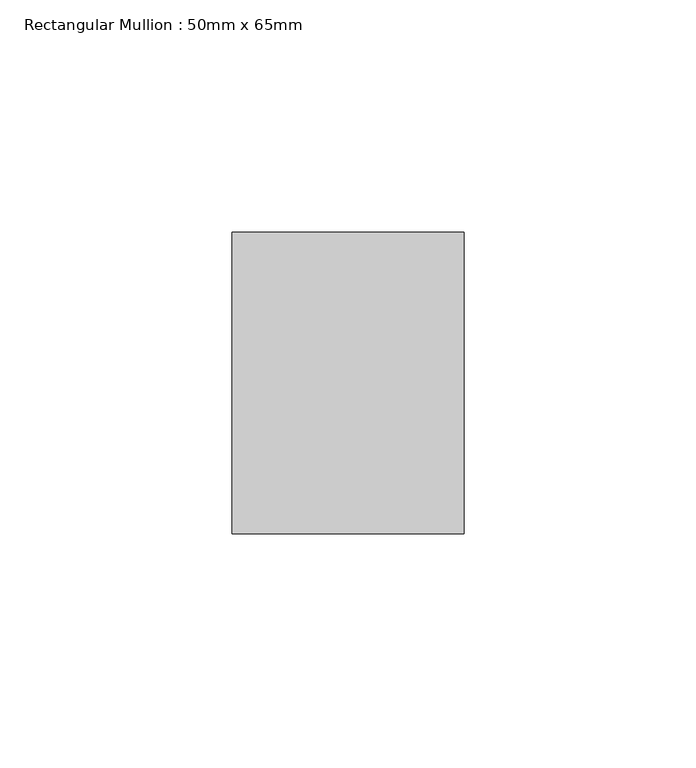
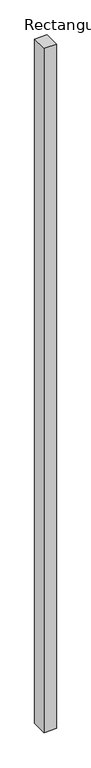
"""IFC4 building model written with IfcOpenShell, lengths in millimetres: member geometry, Rectangular Mullion : 50mm x 65mm."""

from ifc_helpers import new_model, si_unit, frame, origin, place, context, project, spatial, polyline, outline, extrude, source, transform, mapped, element, save


def rectangular_mullion_50mm_x_65mm_ff502d06(model_context):
    return source(origin(), model_context, "Body", "SweptSolid", [
        extrude(outline(polyline([(25.0, 32.5), (25.0, -32.5), (-25.0, -32.5), (-25.0, 32.5), (25.0, 32.5)])), frame((0.0, 0.0, -2924.9796146), z_axis=(0.0, 0.0, 1.0), x_axis=(1.0, 0.0, 0.0)), (0.0, 0.0, 1.0), 2924.9796146),
    ])


if __name__ == "__main__":
    model = new_model("IFC4")
    model_context = context("Model", 3, world=origin())
    ifc_project = project(units=[si_unit("LENGTHUNIT", "METRE", prefix="MILLI")], contexts=[model_context])
    site = spatial("IfcSite", under=ifc_project)
    building = spatial("IfcBuilding", under=site)
    placement = place(None, origin())
    rectangular_mullion_50mm_x_65mm_shape = rectangular_mullion_50mm_x_65mm_ff502d06(model_context)
    element("IfcMember", 1, ObjectType="Rectangular Mullion : 50mm x 65mm", at=placement, inside=building, context=model_context, shape_type="MappedRepresentation", body=[
        mapped(rectangular_mullion_50mm_x_65mm_shape, transform((0.0, 0.0, 0.0), x_axis=(1.0, 0.0, 0.0), y_axis=(0.0, 1.0, 0.0), z_axis=(0.0, 0.0, 1.0))),
    ])
    save(model, "model.ifc")
